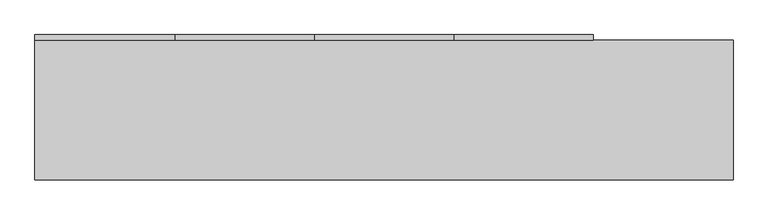
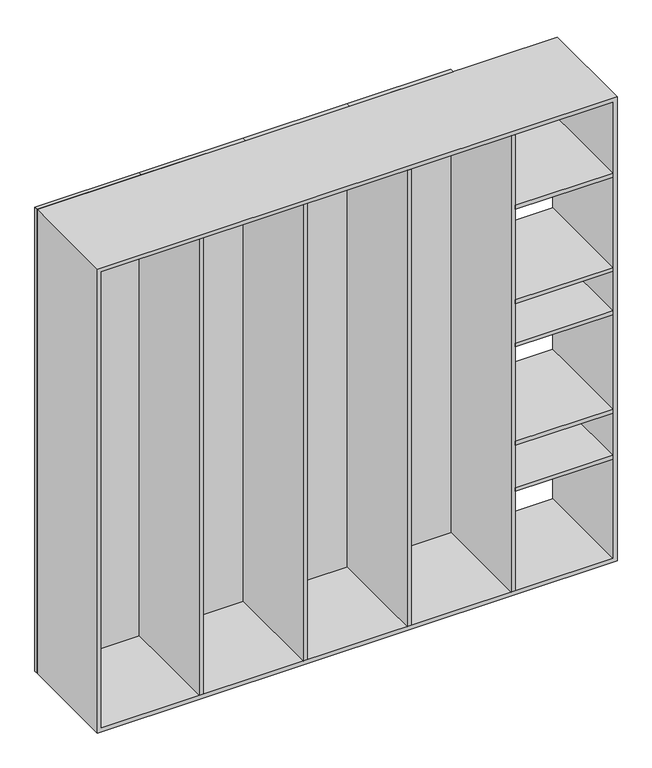
"""IFC4 building model written with IfcOpenShell, lengths in millimetres: furniture geometry."""

from ifc_helpers import new_model, si_unit, frame, origin, place, context, project, spatial, polyline, outline, extrude, source, transform, mapped, element, save


def furniture_4a20c04d(model_context):
    return source(origin(), model_context, "Body", "SweptSolid", [
        extrude(outline(polyline([(12689.1648122, 8037.5), (12189.1648122, 8037.5), (12189.1648122, 8057.5), (12689.1648122, 8057.5), (12689.1648122, 8037.5)])), frame((0.0, 0.0, 16.3249222), z_axis=(0.0, 0.0, 1.0), x_axis=(1.0, 0.0, 0.0)), (0.0, 0.0, 1.0), 2360.0),
        extrude(outline(polyline([(13189.1648122, 8037.5), (12689.1648122, 8037.5), (12689.1648122, 8057.5), (13189.1648122, 8057.5), (13189.1648122, 8037.5)])), frame((0.0, 0.0, 16.3249222), z_axis=(0.0, 0.0, 1.0), x_axis=(1.0, 0.0, 0.0)), (0.0, 0.0, 1.0), 2360.0),
        extrude(outline(polyline([(13689.1648122, 8037.5), (13189.1648122, 8037.5), (13189.1648122, 8057.5), (13689.1648122, 8057.5), (13689.1648122, 8037.5)])), frame((0.0, 0.0, 16.3249222), z_axis=(0.0, 0.0, 1.0), x_axis=(1.0, 0.0, 0.0)), (0.0, 0.0, 1.0), 2360.0),
        extrude(outline(polyline([(14189.1648122, 8037.5), (13689.1648122, 8037.5), (13689.1648122, 8057.5), (14189.1648122, 8057.5), (14189.1648122, 8037.5)])), frame((0.0, 0.0, 16.3249222), z_axis=(0.0, 0.0, 1.0), x_axis=(1.0, 0.0, 0.0)), (0.0, 0.0, 1.0), 2360.0),
        extrude(outline(polyline([(2376.3249222, 14689.1648122), (2376.3249222, 12189.1648122), (16.3249222, 12189.1648122), (16.3249222, 14689.1648122), (2376.3249222, 14689.1648122)]), holes=[polyline([(2356.3249222, 12209.1648122), (2356.3249222, 14669.1648122), (36.3249222, 14669.1648122), (36.3249222, 12209.1648122), (2356.3249222, 12209.1648122)])]), frame((0.0, 7537.5, 0.0), z_axis=(0.0, 1.0, 0.0), x_axis=(0.0, 0.0, 1.0)), (0.0, 0.0, 1.0), 500.0),
        extrude(outline(polyline([(12699.1648122, 7537.5), (12679.1648122, 7537.5), (12679.1648122, 8037.5), (12699.1648122, 8037.5), (12699.1648122, 7537.5)])), frame((0.0, 0.0, 36.3249222), z_axis=(0.0, 0.0, 1.0), x_axis=(1.0, 0.0, 0.0)), (0.0, 0.0, 1.0), 2320.0),
        extrude(outline(polyline([(13199.1648122, 7537.5), (13179.1648122, 7537.5), (13179.1648122, 8037.5), (13199.1648122, 8037.5), (13199.1648122, 7537.5)])), frame((0.0, 0.0, 36.3249222), z_axis=(0.0, 0.0, 1.0), x_axis=(1.0, 0.0, 0.0)), (0.0, 0.0, 1.0), 2320.0),
        extrude(outline(polyline([(13699.1648122, 7537.5), (13679.1648122, 7537.5), (13679.1648122, 8037.5), (13699.1648122, 8037.5), (13699.1648122, 7537.5)])), frame((0.0, 0.0, 36.3249222), z_axis=(0.0, 0.0, 1.0), x_axis=(1.0, 0.0, 0.0)), (0.0, 0.0, 1.0), 2320.0),
        extrude(outline(polyline([(14199.1648122, 7537.5), (14179.1648122, 7537.5), (14179.1648122, 8037.5), (14199.1648122, 8037.5), (14199.1648122, 7537.5)])), frame((0.0, 0.0, 36.3249222), z_axis=(0.0, 0.0, 1.0), x_axis=(1.0, 0.0, 0.0)), (0.0, 0.0, 1.0), 2320.0),
        extrude(outline(polyline([(14667.6249435, 7537.5), (14199.1648122, 7537.5), (14199.1648122, 8037.5), (14667.6249435, 8037.5), (14667.6249435, 7537.5)])), frame((0.0, 0.0, 1976.3249222), z_axis=(0.0, 0.0, 1.0), x_axis=(1.0, 0.0, 0.0)), (0.0, 0.0, 1.0), 20.0),
        extrude(outline(polyline([(14667.6249435, 7537.5), (14199.1648122, 7537.5), (14199.1648122, 8037.5), (14667.6249435, 8037.5), (14667.6249435, 7537.5)])), frame((0.0, 0.0, 1496.3249222), z_axis=(0.0, 0.0, 1.0), x_axis=(1.0, 0.0, 0.0)), (0.0, 0.0, 1.0), 20.0),
        extrude(outline(polyline([(14667.6249435, 7537.5), (14199.1648122, 7537.5), (14199.1648122, 8037.5), (14667.6249435, 8037.5), (14667.6249435, 7537.5)])), frame((0.0, 0.0, 1276.3249222), z_axis=(0.0, 0.0, 1.0), x_axis=(1.0, 0.0, 0.0)), (0.0, 0.0, 1.0), 20.0),
        extrude(outline(polyline([(14667.6249435, 7537.5), (14199.1648122, 7537.5), (14199.1648122, 8037.5), (14667.6249435, 8037.5), (14667.6249435, 7537.5)])), frame((0.0, 0.0, 776.3249222), z_axis=(0.0, 0.0, 1.0), x_axis=(1.0, 0.0, 0.0)), (0.0, 0.0, 1.0), 20.0),
        extrude(outline(polyline([(14667.6249435, 7537.5), (14199.1648122, 7537.5), (14199.1648122, 8037.5), (14667.6249435, 8037.5), (14667.6249435, 7537.5)])), frame((0.0, 0.0, 541.3249222), z_axis=(0.0, 0.0, 1.0), x_axis=(1.0, 0.0, 0.0)), (0.0, 0.0, 1.0), 20.0),
    ])


if __name__ == "__main__":
    model = new_model("IFC4")
    model_context = context("Model", 3, world=origin())
    ifc_project = project(units=[si_unit("LENGTHUNIT", "METRE", prefix="MILLI")], contexts=[model_context])
    site = spatial("IfcSite", under=ifc_project)
    building = spatial("IfcBuilding", under=site)
    placement = place(None, origin())
    furniture_shape = furniture_4a20c04d(model_context)
    element("IfcFurniture", 1, at=placement, inside=building, context=model_context, shape_type="MappedRepresentation", body=[
        mapped(furniture_shape, transform((0.0, 0.0, 0.0), x_axis=(1.0, 0.0, 0.0), y_axis=(0.0, 1.0, 0.0), z_axis=(0.0, 0.0, 1.0))),
    ])
    save(model, "model.ifc")
